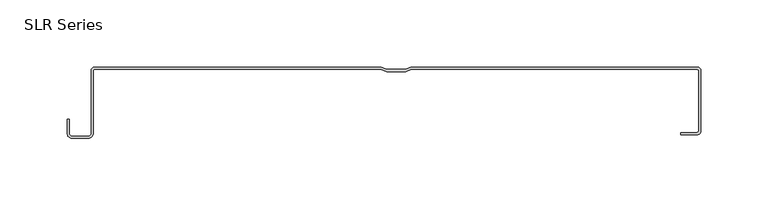
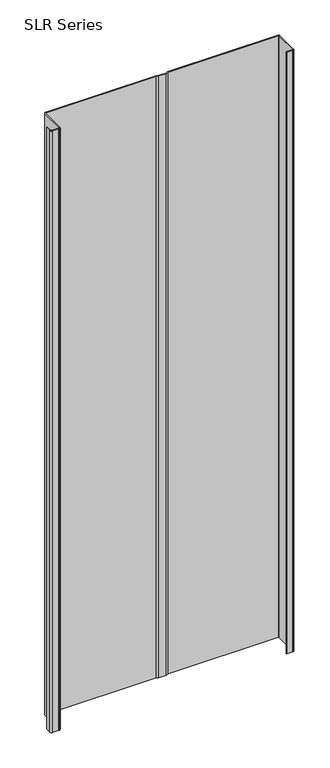
"""IFC4 building model written with IfcOpenShell, lengths in millimetres: plate geometry, SLR Series."""

from ifc_helpers import new_model, si_unit, point, frame_2d, origin, origin_with_axes, place, context, project, spatial, polyline, circle_curve, trimmed, segment, composite_curve, outline, extrude, source, transform, mapped, element, save


def slr_series_3da8d78e(model_context):
    return source(origin(), model_context, "Body", "SweptSolid", [
        extrude(outline(composite_curve([segment(trimmed(circle_curve(frame_2d((-226.4785173, -49.322367)), 3.5323605), [point((-222.9461568, -49.322367))], [point((-226.4785173, -52.8547275))], False, "CARTESIAN"), True, "CONTINUOUS"), segment(polyline([(-226.4785173, -52.8547275), (-238.8643672, -52.8547275)]), True, "CONTINUOUS"), segment(trimmed(circle_curve(frame_2d((-238.8643672, -49.322367)), 3.5323605), [point((-238.8643672, -52.8547275))], [point((-242.3967277, -49.322367))], False, "CARTESIAN"), True, "CONTINUOUS"), segment(polyline([(-242.3967277, -49.322367), (-242.3967277, -38.9158598), (-240.8437099, -38.9158598), (-240.8437099, -49.322367)]), True, "CONTINUOUS"), segment(trimmed(circle_curve(frame_2d((-238.8643672, -49.322367)), 1.9793427), [point((-240.8437099, -49.322367))], [point((-238.8643672, -51.3017098))], True, "CARTESIAN"), True, "CONTINUOUS"), segment(polyline([(-238.8643672, -51.3017098), (-226.4785173, -51.3017098)]), True, "CONTINUOUS"), segment(trimmed(circle_curve(frame_2d((-226.4785173, -49.322367)), 1.9793427), [point((-226.4785173, -51.3017098))], [point((-224.4991745, -49.322367))], True, "CARTESIAN"), True, "CONTINUOUS"), segment(polyline([(-224.4991745, -49.322367), (-224.4991745, -2.7245977)]), True, "CONTINUOUS"), segment(trimmed(circle_curve(frame_2d((-221.7739184, -2.7245977)), 2.7252562), [point((-224.4991745, -2.7245977))], [point((-221.8338236, 0.0))], False, "CARTESIAN"), True, "CONTINUOUS"), segment(polyline([(-221.8338236, 0.0), (-8.4777413, 0.0), (-4.3554322, -1.6489237), (9.4165653, -1.6489237), (13.5388745, 0.0), (226.6782621, 0.0)]), True, "CONTINUOUS"), segment(trimmed(circle_curve(frame_2d((226.627246, -2.7222761)), 2.722754), [point((226.6782621, 0.0))], [point((229.35, -2.7222761))], False, "CARTESIAN"), True, "CONTINUOUS"), segment(polyline([(229.35, -2.7222761), (229.35, -47.5057747)]), True, "CONTINUOUS"), segment(trimmed(circle_curve(frame_2d((226.5762298, -47.5057747)), 2.7737702), [point((229.35, -47.5057747))], [point((226.5762298, -50.2795449))], False, "CARTESIAN"), True, "CONTINUOUS"), segment(polyline([(226.5762298, -50.2795449), (214.4969081, -50.2795449), (214.4969081, -48.6618105), (226.5762298, -48.6618105)]), True, "CONTINUOUS"), segment(trimmed(circle_curve(frame_2d((226.5762298, -47.5057747)), 1.1560358), [point((226.5762298, -48.6618105))], [point((227.7322657, -47.5057747))], True, "CARTESIAN"), True, "CONTINUOUS"), segment(polyline([(227.7322657, -47.5057747), (227.7322657, -2.7435358)]), True, "CONTINUOUS"), segment(trimmed(circle_curve(frame_2d((226.5762298, -2.7435358)), 1.1560358), [point((227.7322657, -2.7435358))], [point((226.5762298, -1.5875))], True, "CARTESIAN"), True, "CONTINUOUS"), segment(polyline([(226.5762298, -1.5875), (13.844599, -1.5875), (9.7222899, -3.2364237), (-4.6611567, -3.2364237), (-8.7834659, -1.5875), (-221.8338236, -1.5875)]), True, "CONTINUOUS"), segment(trimmed(circle_curve(frame_2d((-221.8338236, -2.6998332)), 1.1123332), [point((-221.8338236, -1.5875))], [point((-222.9461568, -2.6998332))], True, "CARTESIAN"), True, "CONTINUOUS"), segment(polyline([(-222.9461568, -2.6998332), (-222.9461568, -49.322367)]), True, "CONTINUOUS")], self_intersect=False)), origin_with_axes(), (0.0, 0.0, 1.0), 1228.3559792),
    ])


if __name__ == "__main__":
    model = new_model("IFC4")
    model_context = context("Model", 3, world=origin())
    ifc_project = project(units=[si_unit("LENGTHUNIT", "METRE", prefix="MILLI")], contexts=[model_context])
    site = spatial("IfcSite", under=ifc_project)
    building = spatial("IfcBuilding", under=site)
    placement = place(None, origin())
    slr_series_shape = slr_series_3da8d78e(model_context)
    element("IfcPlate", 1, ObjectType="SLR Series", at=placement, inside=building, context=model_context, shape_type="MappedRepresentation", body=[
        mapped(slr_series_shape, transform((0.0, 0.0, 0.0), x_axis=(1.0, 0.0, 0.0), y_axis=(0.0, 1.0, 0.0), z_axis=(0.0, 0.0, 1.0))),
    ])
    save(model, "model.ifc")
